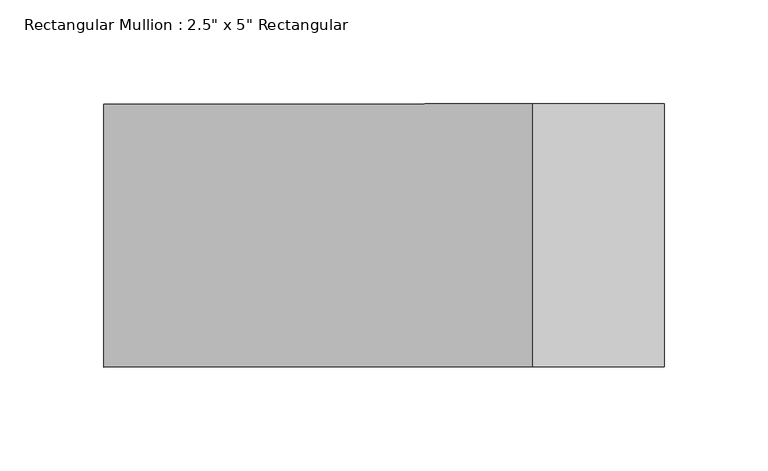
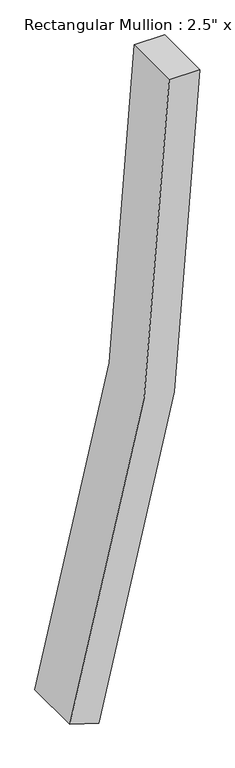
"""IFC4 building model written with IfcOpenShell, lengths in millimetres: member geometry."""

from ifc_helpers import new_model, si_unit, point, frame, frame_2d, origin, place, context, project, spatial, polyline, circle_curve, trimmed, segment, composite_curve, outline, extrude, source, transform, mapped, element, save


def member_ee924802(model_context):
    return source(origin(), model_context, "Body", "SweptSolid", [
        extrude(outline(composite_curve([segment(trimmed(circle_curve(frame_2d((0.0, -4572.0)), 4572.0), [point((-1370.5311784, -210.2539862))], [point((0.0, 0.0))], False, "CARTESIAN"), True, "CONTINUOUS"), segment(polyline([(0.0, 0.0), (0.0, -63.5)]), True, "CONTINUOUS"), segment(trimmed(circle_curve(frame_2d((0.0, -4572.0)), 4508.5), [point((0.0, -63.5))], [point((-1351.4960231, -270.8337919))], True, "CARTESIAN"), True, "CONTINUOUS"), segment(polyline([(-1351.4960231, -270.8337919), (-1370.5311784, -210.2539862)]), True, "CONTINUOUS")], self_intersect=False)), frame((0.0, -63.5, 0.0), z_axis=(0.0, 1.0, 0.0), x_axis=(0.0, 0.0, 1.0)), (0.0, 0.0, 1.0), 127.0),
    ])


if __name__ == "__main__":
    model = new_model("IFC4")
    model_context = context("Model", 3, world=origin())
    ifc_project = project(units=[si_unit("LENGTHUNIT", "METRE", prefix="MILLI")], contexts=[model_context])
    site = spatial("IfcSite", under=ifc_project)
    building = spatial("IfcBuilding", under=site)
    placement = place(None, origin())
    member_shape = member_ee924802(model_context)
    element("IfcMember", 1, ObjectType="Rectangular Mullion : 2.5\" x 5\" Rectangular", at=placement, inside=building, context=model_context, shape_type="MappedRepresentation", body=[
        mapped(member_shape, transform((0.0, 0.0, 0.0), x_axis=(1.0, 0.0, 0.0), y_axis=(0.0, 1.0, 0.0), z_axis=(0.0, 0.0, 1.0))),
    ])
    save(model, "model.ifc")
